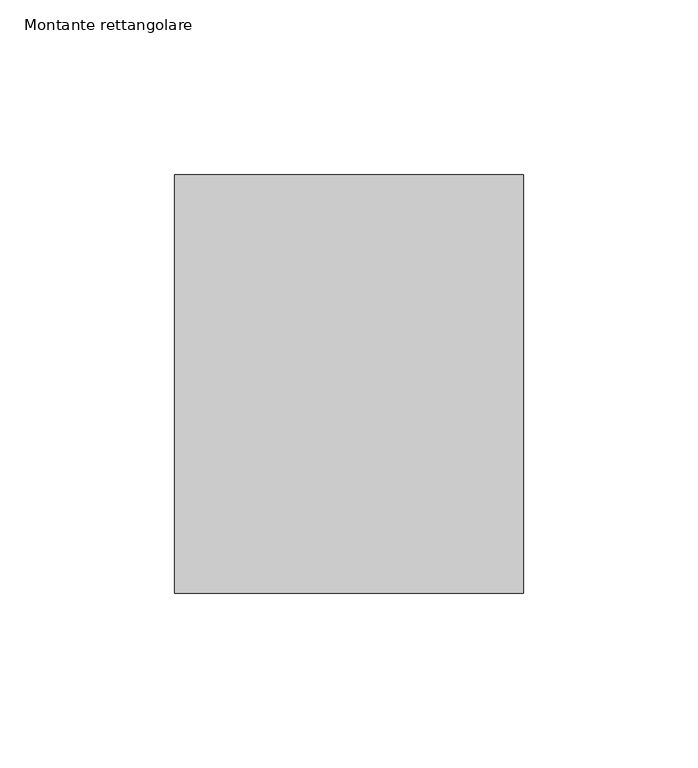
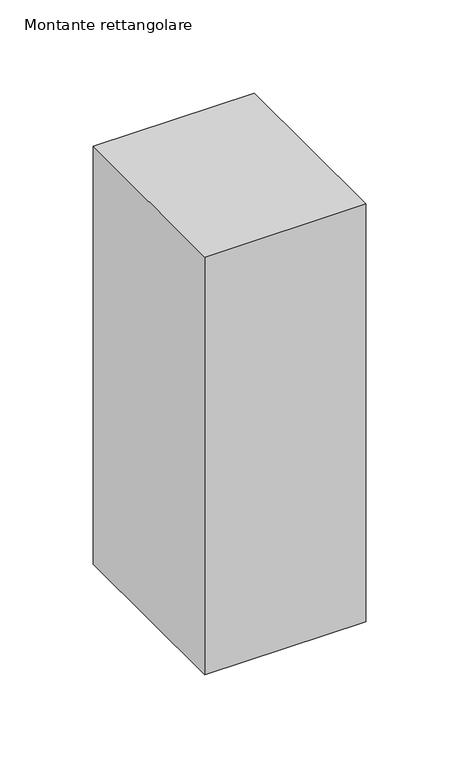
"""IFC4 building model written with IfcOpenShell, lengths in millimetres: member geometry, Montante rettangolare."""

from ifc_helpers import new_model, si_unit, frame, origin, place, context, project, spatial, polyline, outline, extrude, source, transform, mapped, element, save


def montante_rettangolare_13477666(model_context):
    return source(origin(), model_context, "Body", "SweptSolid", [
        extrude(outline(polyline([(0.0, 60.0), (0.0, -60.0), (-100.0, -60.0), (-100.0, 60.0), (0.0, 60.0)])), frame((0.0, 0.0, -273.8961996), z_axis=(0.0, 0.0, 1.0), x_axis=(1.0, 0.0, 0.0)), (0.0, 0.0, 1.0), 273.8961996),
    ])


if __name__ == "__main__":
    model = new_model("IFC4")
    model_context = context("Model", 3, world=origin())
    ifc_project = project(units=[si_unit("LENGTHUNIT", "METRE", prefix="MILLI")], contexts=[model_context])
    site = spatial("IfcSite", under=ifc_project)
    building = spatial("IfcBuilding", under=site)
    placement = place(None, origin())
    montante_rettangolare_shape = montante_rettangolare_13477666(model_context)
    element("IfcMember", 1, ObjectType="Montante rettangolare", at=placement, inside=building, context=model_context, shape_type="MappedRepresentation", body=[
        mapped(montante_rettangolare_shape, transform((0.0, 0.0, 0.0), x_axis=(1.0, 0.0, 0.0), y_axis=(0.0, 1.0, 0.0), z_axis=(0.0, 0.0, 1.0))),
    ])
    save(model, "model.ifc")
